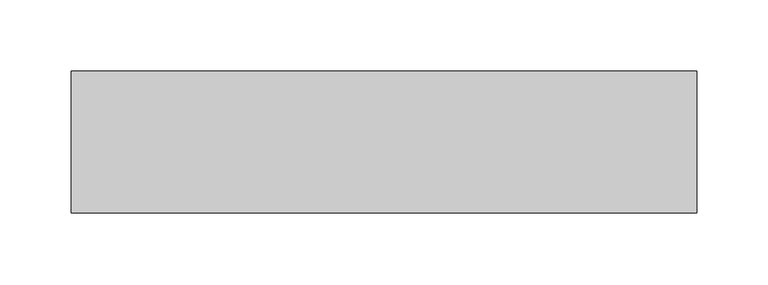
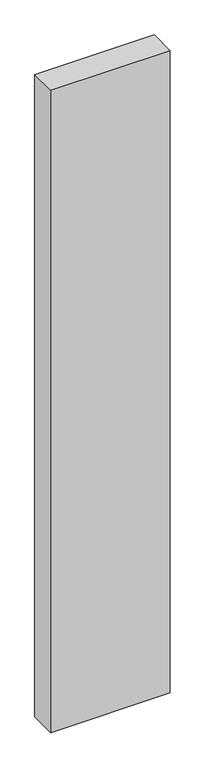
"""IFC4 building model written with IfcOpenShell, lengths in millimetres: proxy geometry."""

from ifc_helpers import new_model, si_unit, frame, origin, place, context, project, spatial, polyline, outline, extrude, source, transform, mapped, element, save


def generic_models_97c0be0b(model_context):
    return source(origin(), model_context, "Body", "SweptSolid", [
        extrude(outline(polyline([(440.0, 100.0), (440.0, 0.0), (0.0, 0.0), (0.0, 100.0), (440.0, 100.0)])), frame((0.0, 0.0, -2500.0), z_axis=(0.0, 0.0, 1.0), x_axis=(1.0, 0.0, 0.0)), (0.0, 0.0, 1.0), 2500.0),
    ])


if __name__ == "__main__":
    model = new_model("IFC4")
    model_context = context("Model", 3, world=origin())
    ifc_project = project(units=[si_unit("LENGTHUNIT", "METRE", prefix="MILLI")], contexts=[model_context])
    site = spatial("IfcSite", under=ifc_project)
    building = spatial("IfcBuilding", under=site)
    placement = place(None, origin())
    generic_models_shape = generic_models_97c0be0b(model_context)
    element("IfcBuildingElementProxy", 1, Name="Generic Models", at=placement, inside=building, context=model_context, shape_type="MappedRepresentation", body=[
        mapped(generic_models_shape, transform((0.0, 0.0, 0.0), x_axis=(1.0, 0.0, 0.0), y_axis=(0.0, 1.0, 0.0), z_axis=(0.0, 0.0, 1.0))),
    ])
    save(model, "model.ifc")
